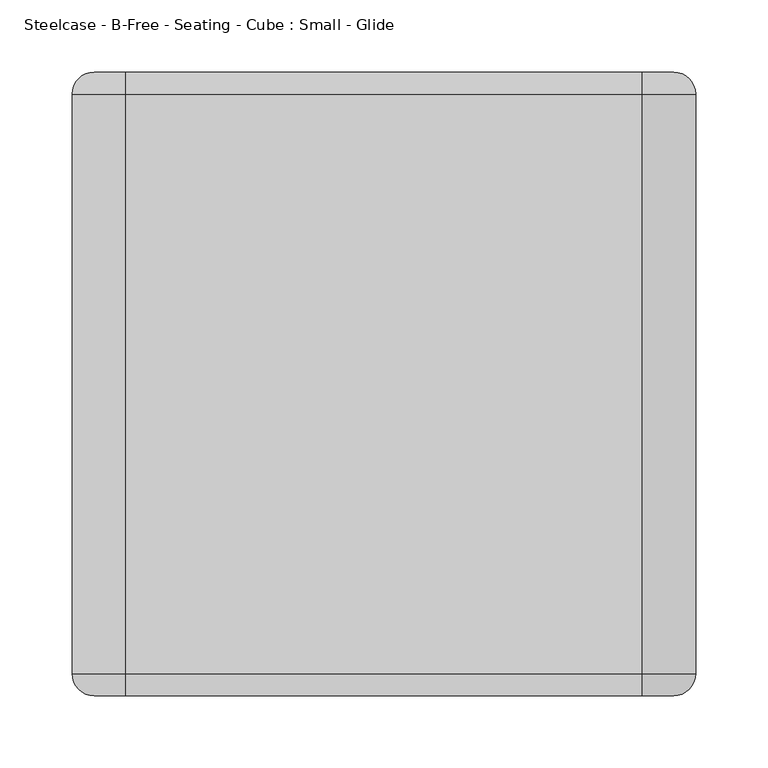
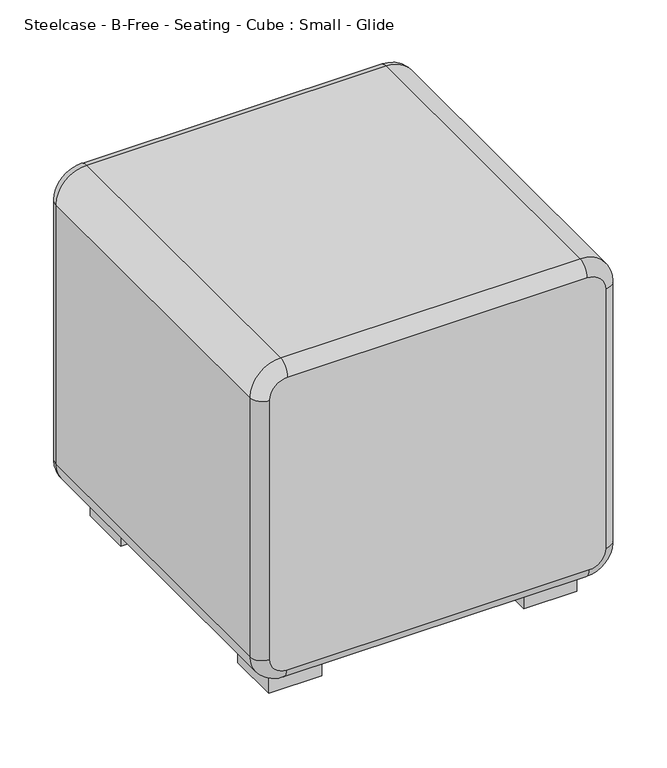
"""IFC4 building model written with IfcOpenShell, lengths in millimetres: furniture geometry, Steelcase - B-Free - Seating - Cube : Small - Glide."""

from ifc_helpers import new_model, si_unit, point, frame, frame_2d, origin, origin_with_axes, place, context, project, spatial, polyline, circle_curve, ellipse_curve, trimmed, segment, composite_curve, outline, extrude, source, transform, mapped, element, save
from ifc_brep_helpers import plane_surface, cylinder_surface, revolved_surface, extruded_surface, advanced_brep


def steelcase_b_free_seating_cube_small_glide_b358940f(model_context):
    return source(origin(), model_context, "Body", "SolidModel", [
        extrude(outline(composite_curve([segment(trimmed(circle_curve(frame_2d((362.1285127, -362.451859)), 25.4), [point((336.7285127, -362.451859))], [point((362.1285127, -337.051859))], False, "CARTESIAN"), True, "CONTINUOUS"), segment(polyline([(362.1285127, -337.051859), (399.9116454, -337.051859), (399.9116454, -400.6403104), (336.7285127, -400.6403104), (336.7285127, -362.451859)]), True, "CONTINUOUS")], self_intersect=False)), frame((0.0, 0.0, 3.2686088), z_axis=(0.0, 0.0, 1.0), x_axis=(1.0, 0.0, 0.0)), (0.0, 0.0, 1.0), 34.4406379),
        extrude(outline(composite_curve([segment(trimmed(circle_curve(frame_2d((344.5956693, -345.4386532)), 25.4), [point((319.1956693, -345.4386532))], [point((344.5956693, -320.0386532))], False, "CARTESIAN"), True, "CONTINUOUS"), segment(polyline([(344.5956693, -320.0386532), (399.9116454, -320.0386532), (399.9116454, -400.6403104), (319.1956693, -400.6403104), (319.1956693, -345.4386532)]), True, "CONTINUOUS")], self_intersect=False)), frame((0.0, 0.0, 57.3440834), z_axis=(0.0, 0.0, 1.0), x_axis=(1.0, 0.0, 0.0)), (0.0, 0.0, 1.0), 5.8126731),
        advanced_brep(
        [(319.1956693, -400.6403104, 57.3440834), (399.9116454, -400.6403104, 57.3440834), (399.9116454, -320.0386532, 57.3440834), (344.5956693, -320.0386532, 57.3440834), (319.1956693, -345.4386532, 57.3440834), (336.7285127, -400.6403104, 37.7092467), (336.7285127, -362.451859, 37.7092467), (362.1285127, -337.051859, 37.7092467), (399.9116454, -337.051859, 37.7092467), (399.9116454, -400.6403104, 37.7092467)],
        [
            (0, 1),
            (1, 2),
            (2, 3),
            (3, 4, circle_curve(frame((344.5956693, -345.4386532, 57.3440834), z_axis=(0.0, 0.0, 1.0), x_axis=(-1.0, 0.0, 0.0)), 25.4)),
            (4, 0),
            (5, 6),
            (6, 7, circle_curve(frame((362.1285127, -362.451859, 37.7092467), z_axis=(0.0, 0.0, -1.0), x_axis=(-1.0, 0.0, 0.0)), 25.4)),
            (7, 8),
            (8, 9),
            (9, 5),
            (9, 1),
            (0, 5),
            (8, 2),
            (7, 3),
            (6, 4),
        ],
        [
            plane_surface(frame((356.5620597, -357.3593161, 57.3440834), z_axis=(0.0, 0.0, 1.0), x_axis=(1.0, 0.0, 0.0))),
            plane_surface(frame((367.0817658, -367.5672395, 37.7092467), z_axis=(0.0, 0.0, -1.0), x_axis=(1.0, 0.0, 0.0))),
            plane_surface(frame((368.3200791, -400.6403104, 37.7092467), z_axis=(0.0, -1.0, 0.0), x_axis=(1.0, 0.0, 0.0))),
            plane_surface(frame((399.9116454, -368.8460847, 37.7092467), z_axis=(1.0, 0.0, 0.0), x_axis=(0.0, 1.0, 0.0))),
            plane_surface(frame((381.0200791, -337.051859, 37.7092467), z_axis=(0.0, 0.7557586617156353, -0.6548502464241667), x_axis=(-1.0, 0.0, 0.0))),
            extruded_surface(trimmed(circle_curve(frame((362.1285127, -362.451859, 37.7092467), z_axis=(0.0, 0.0, 1.0), x_axis=(-1.0, 0.0, 0.0)), 25.4), [point((362.1285127, -337.051859, 37.7092467))], [point((336.7285127, -362.451859, 37.7092467))], True, "CARTESIAN"), (-17.53284339999999, 17.013205800000037, 19.6348367), 31.342887255607852),
            plane_surface(frame((336.7285127, -381.5460847, 37.7092467), z_axis=(-0.7459048351939935, 0.0, -0.6660525330889611), x_axis=(0.0, -1.0, 0.0))),
        ],
        [
            (0, [[1, 2, 3, 4, 5]]),
            (1, [[6, 7, 8, 9, 10]]),
            (2, [[-10, 11, -1, 12]]),
            (3, [[-9, 13, -2, -11]]),
            (4, [[-8, 14, -3, -13]]),
            (5, [[-7, 15, -4, -14]]),
            (6, [[-6, -12, -5, -15]]),
        ],
    ),
        extrude(outline(composite_curve([segment(trimmed(circle_curve(frame_2d((359.3371158, -359.7696857)), 21.5941381), [point((380.9312539, -359.7696857))], [point((337.7429777, -359.7696857))], False, "CARTESIAN"), True, "CONTINUOUS"), segment(trimmed(circle_curve(frame_2d((359.3371158, -359.7696857)), 21.5941381), [point((337.7429777, -359.7696857))], [point((380.9312539, -359.7696857))], False, "CARTESIAN"), True, "CONTINUOUS")], self_intersect=False)), origin_with_axes(), (0.0, 0.0, 1.0), 3.2686141),
        extrude(outline(polyline([(368.6320322, -394.620111), (368.6320322, -387.5191636), (380.2023704, -381.3107415), (387.5293162, -368.6200992), (394.6320803, -368.6200992), (394.6320803, -394.620111), (368.6320322, -394.620111)])), origin_with_axes(), (0.0, 0.0, 1.0), 3.2686141),
        extrude(outline(composite_curve([segment(polyline([(336.7285127, -69.348141), (336.7285127, -31.1596896), (399.9116454, -31.1596896), (399.9116454, -94.748141), (362.1285127, -94.748141)]), True, "CONTINUOUS"), segment(trimmed(circle_curve(frame_2d((362.1285127, -69.348141)), 25.4), [point((362.1285127, -94.748141))], [point((336.7285127, -69.348141))], False, "CARTESIAN"), True, "CONTINUOUS")], self_intersect=False)), frame((0.0, 0.0, 3.2686088), z_axis=(0.0, 0.0, 1.0), x_axis=(1.0, 0.0, 0.0)), (0.0, 0.0, 1.0), 34.4406379),
        extrude(outline(composite_curve([segment(polyline([(319.1956693, -86.3613468), (319.1956693, -31.1596896), (399.9116454, -31.1596896), (399.9116454, -111.7613468), (344.5956693, -111.7613468)]), True, "CONTINUOUS"), segment(trimmed(circle_curve(frame_2d((344.5956693, -86.3613468)), 25.4), [point((344.5956693, -111.7613468))], [point((319.1956693, -86.3613468))], False, "CARTESIAN"), True, "CONTINUOUS")], self_intersect=False)), frame((0.0, 0.0, 57.3440834), z_axis=(0.0, 0.0, 1.0), x_axis=(1.0, 0.0, 0.0)), (0.0, 0.0, 1.0), 5.8126731),
        advanced_brep(
        [(319.1956693, -31.1596896, 57.3440834), (319.1956693, -86.3613468, 57.3440834), (344.5956693, -111.7613468, 57.3440834), (399.9116454, -111.7613468, 57.3440834), (399.9116454, -31.1596896, 57.3440834), (336.7285127, -31.1596896, 37.7092467), (399.9116454, -31.1596896, 37.7092467), (399.9116454, -94.748141, 37.7092467), (362.1285127, -94.748141, 37.7092467), (336.7285127, -69.348141, 37.7092467)],
        [
            (0, 1),
            (1, 2, circle_curve(frame((344.5956693, -86.3613468, 57.3440834), z_axis=(0.0, 0.0, 1.0), x_axis=(-1.0, 0.0, 0.0)), 25.4)),
            (2, 3),
            (3, 4),
            (4, 0),
            (5, 6),
            (6, 7),
            (7, 8),
            (8, 9, circle_curve(frame((362.1285127, -69.348141, 37.7092467), z_axis=(0.0, 0.0, -1.0), x_axis=(-1.0, 0.0, 0.0)), 25.4)),
            (9, 5),
            (5, 0),
            (4, 6),
            (3, 7),
            (2, 8),
            (1, 9),
        ],
        [
            plane_surface(frame((356.5620597, -74.4406839, 57.3440834), z_axis=(0.0, 0.0, 1.0), x_axis=(1.0, 0.0, 0.0))),
            plane_surface(frame((367.0817658, -64.2327605, 37.7092467), z_axis=(0.0, 0.0, -1.0), x_axis=(1.0, 0.0, 0.0))),
            plane_surface(frame((368.3200791, -31.1596896, 37.7092467), z_axis=(0.0, 1.0, 0.0), x_axis=(1.0, 0.0, 0.0))),
            plane_surface(frame((399.9116454, -62.9539153, 37.7092467), z_axis=(1.0, 0.0, 0.0), x_axis=(0.0, -1.0, 0.0))),
            plane_surface(frame((381.0200791, -94.748141, 37.7092467), z_axis=(0.0, -0.7557586617156353, -0.6548502464241667), x_axis=(-1.0, 0.0, 0.0))),
            extruded_surface(trimmed(circle_curve(frame((344.5956693, -86.3613468, 57.3440834), z_axis=(0.0, 0.0, -1.0), x_axis=(-1.0, 0.0, 0.0)), 25.4), [point((344.5956693, -111.7613468, 57.3440834))], [point((319.1956693, -86.3613468, 57.3440834))], True, "CARTESIAN"), (17.53284339999999, 17.01320580000001, -19.6348367), 31.342887255607835),
            plane_surface(frame((336.7285127, -50.2539153, 37.7092467), z_axis=(-0.7459048351939935, 0.0, -0.6660525330889611), x_axis=(0.0, 1.0, 0.0))),
        ],
        [
            (0, [[1, 2, 3, 4, 5]]),
            (1, [[6, 7, 8, 9, 10]]),
            (2, [[11, -5, 12, -6]]),
            (3, [[-12, -4, 13, -7]]),
            (4, [[-13, -3, 14, -8]]),
            (5, [[-14, -2, 15, -9]]),
            (6, [[-15, -1, -11, -10]]),
        ],
    ),
        extrude(outline(composite_curve([segment(trimmed(circle_curve(frame_2d((359.3371158, -72.0303143)), 21.5941381), [point((380.9312539, -72.0303143))], [point((337.7429777, -72.0303143))], False, "CARTESIAN"), True, "CONTINUOUS"), segment(trimmed(circle_curve(frame_2d((359.3371158, -72.0303143)), 21.5941381), [point((337.7429777, -72.0303143))], [point((380.9312539, -72.0303143))], False, "CARTESIAN"), True, "CONTINUOUS")], self_intersect=False)), origin_with_axes(), (0.0, 0.0, 1.0), 3.2686141),
        extrude(outline(polyline([(368.6320322, -37.179889), (394.6320803, -37.179889), (394.6320803, -63.1799008), (387.5293162, -63.1799008), (380.2023704, -50.4892585), (368.6320322, -44.2808364), (368.6320322, -37.179889)])), origin_with_axes(), (0.0, 0.0, 1.0), 3.2686141),
        extrude(outline(composite_curve([segment(polyline([(95.1048579, -362.451859), (95.1048579, -400.6403104), (31.9217252, -400.6403104), (31.9217252, -337.051859), (69.7048579, -337.051859)]), True, "CONTINUOUS"), segment(trimmed(circle_curve(frame_2d((69.7048579, -362.451859)), 25.4), [point((69.7048579, -337.051859))], [point((95.1048579, -362.451859))], False, "CARTESIAN"), True, "CONTINUOUS")], self_intersect=False)), frame((0.0, 0.0, 3.2686088), z_axis=(0.0, 0.0, 1.0), x_axis=(1.0, 0.0, 0.0)), (0.0, 0.0, 1.0), 34.4406379),
        extrude(outline(composite_curve([segment(polyline([(112.6377014, -345.4386532), (112.6377014, -400.6403104), (31.9217252, -400.6403104), (31.9217252, -320.0386532), (87.2377014, -320.0386532)]), True, "CONTINUOUS"), segment(trimmed(circle_curve(frame_2d((87.2377014, -345.4386532)), 25.4), [point((87.2377014, -320.0386532))], [point((112.6377014, -345.4386532))], False, "CARTESIAN"), True, "CONTINUOUS")], self_intersect=False)), frame((0.0, 0.0, 57.3440834), z_axis=(0.0, 0.0, 1.0), x_axis=(1.0, 0.0, 0.0)), (0.0, 0.0, 1.0), 5.8126731),
        advanced_brep(
        [(112.6377014, -400.6403104, 57.3440834), (112.6377014, -345.4386532, 57.3440834), (87.2377014, -320.0386532, 57.3440834), (31.9217252, -320.0386532, 57.3440834), (31.9217252, -400.6403104, 57.3440834), (95.1048579, -400.6403104, 37.7092467), (31.9217252, -400.6403104, 37.7092467), (31.9217252, -337.051859, 37.7092467), (69.7048579, -337.051859, 37.7092467), (95.1048579, -362.451859, 37.7092467)],
        [
            (0, 1),
            (1, 2, circle_curve(frame((87.2377014, -345.4386532, 57.3440834), z_axis=(0.0, 0.0, 1.0), x_axis=(1.0, 0.0, 0.0)), 25.4)),
            (2, 3),
            (3, 4),
            (4, 0),
            (5, 6),
            (6, 7),
            (7, 8),
            (8, 9, circle_curve(frame((69.7048579, -362.451859, 37.7092467), z_axis=(0.0, 0.0, -1.0), x_axis=(1.0, 0.0, 0.0)), 25.4)),
            (9, 5),
            (5, 0),
            (4, 6),
            (3, 7),
            (2, 8),
            (1, 9),
        ],
        [
            plane_surface(frame((75.2713109, -357.3593161, 57.3440834), z_axis=(0.0, 0.0, 1.0), x_axis=(-1.0, 0.0, 0.0))),
            plane_surface(frame((64.7516049, -367.5672395, 37.7092467), z_axis=(0.0, 0.0, -1.0), x_axis=(-1.0, 0.0, 0.0))),
            plane_surface(frame((63.5132916, -400.6403104, 37.7092467), z_axis=(0.0, -1.0, 0.0), x_axis=(-1.0, 0.0, 0.0))),
            plane_surface(frame((31.9217252, -368.8460847, 37.7092467), z_axis=(-1.0, 0.0, 0.0), x_axis=(0.0, 1.0, 0.0))),
            plane_surface(frame((50.8132916, -337.051859, 37.7092467), z_axis=(0.0, 0.7557586617156353, -0.6548502464241667), x_axis=(1.0, 0.0, 0.0))),
            extruded_surface(trimmed(circle_curve(frame((87.2377014, -345.4386532, 57.3440834), z_axis=(0.0, 0.0, -1.0), x_axis=(1.0, 0.0, 0.0)), 25.4), [point((87.2377014, -320.0386532, 57.3440834))], [point((112.6377014, -345.4386532, 57.3440834))], True, "CARTESIAN"), (-17.532843500000013, -17.013205800000037, -19.6348367), 31.34288731154669),
            plane_surface(frame((95.1048579, -381.5460847, 37.7092467), z_axis=(0.7459048351939935, 0.0, -0.6660525330889611), x_axis=(0.0, -1.0, 0.0))),
        ],
        [
            (0, [[1, 2, 3, 4, 5]]),
            (1, [[6, 7, 8, 9, 10]]),
            (2, [[11, -5, 12, -6]]),
            (3, [[-12, -4, 13, -7]]),
            (4, [[-13, -3, 14, -8]]),
            (5, [[-14, -2, 15, -9]]),
            (6, [[-15, -1, -11, -10]]),
        ],
    ),
        extrude(outline(composite_curve([segment(trimmed(circle_curve(frame_2d((72.4962548, -359.7696857)), 21.5941381), [point((50.9021167, -359.7696857))], [point((94.0903929, -359.7696857))], False, "CARTESIAN"), True, "CONTINUOUS"), segment(trimmed(circle_curve(frame_2d((72.4962548, -359.7696857)), 21.5941381), [point((94.0903929, -359.7696857))], [point((50.9021167, -359.7696857))], False, "CARTESIAN"), True, "CONTINUOUS")], self_intersect=False)), origin_with_axes(), (0.0, 0.0, 1.0), 3.2686141),
        extrude(outline(polyline([(63.2013385, -394.620111), (37.2012903, -394.620111), (37.2012903, -368.6200992), (44.3040545, -368.6200992), (51.6310002, -381.3107415), (63.2013385, -387.5191636), (63.2013385, -394.620111)])), origin_with_axes(), (0.0, 0.0, 1.0), 3.2686141),
        extrude(outline(composite_curve([segment(trimmed(circle_curve(frame_2d((69.7048579, -69.348141)), 25.4), [point((95.1048579, -69.348141))], [point((69.7048579, -94.748141))], False, "CARTESIAN"), True, "CONTINUOUS"), segment(polyline([(69.7048579, -94.748141), (31.9217252, -94.748141), (31.9217252, -31.1596896), (95.1048579, -31.1596896), (95.1048579, -69.348141)]), True, "CONTINUOUS")], self_intersect=False)), frame((0.0, 0.0, 3.2686088), z_axis=(0.0, 0.0, 1.0), x_axis=(1.0, 0.0, 0.0)), (0.0, 0.0, 1.0), 34.4406379),
        extrude(outline(composite_curve([segment(trimmed(circle_curve(frame_2d((87.2377014, -86.3613468)), 25.4), [point((112.6377014, -86.3613468))], [point((87.2377014, -111.7613468))], False, "CARTESIAN"), True, "CONTINUOUS"), segment(polyline([(87.2377014, -111.7613468), (31.9217252, -111.7613468), (31.9217252, -31.1596896), (112.6377014, -31.1596896), (112.6377014, -86.3613468)]), True, "CONTINUOUS")], self_intersect=False)), frame((0.0, 0.0, 57.3440834), z_axis=(0.0, 0.0, 1.0), x_axis=(1.0, 0.0, 0.0)), (0.0, 0.0, 1.0), 5.8126731),
        advanced_brep(
        [(112.6377014, -31.1596896, 57.3440834), (31.9217252, -31.1596896, 57.3440834), (31.9217252, -111.7613468, 57.3440834), (87.2377014, -111.7613468, 57.3440834), (112.6377014, -86.3613468, 57.3440834), (95.1048579, -31.1596896, 37.7092467), (95.1048579, -69.348141, 37.7092467), (69.7048579, -94.748141, 37.7092467), (31.9217252, -94.748141, 37.7092467), (31.9217252, -31.1596896, 37.7092467)],
        [
            (0, 1),
            (1, 2),
            (2, 3),
            (3, 4, circle_curve(frame((87.2377014, -86.3613468, 57.3440834), z_axis=(0.0, 0.0, 1.0), x_axis=(1.0, 0.0, 0.0)), 25.4)),
            (4, 0),
            (5, 6),
            (6, 7, circle_curve(frame((69.7048579, -69.348141, 37.7092467), z_axis=(0.0, 0.0, -1.0), x_axis=(1.0, 0.0, 0.0)), 25.4)),
            (7, 8),
            (8, 9),
            (9, 5),
            (9, 1),
            (0, 5),
            (8, 2),
            (7, 3),
            (6, 4),
        ],
        [
            plane_surface(frame((75.2713109, -74.4406839, 57.3440834), z_axis=(0.0, 0.0, 1.0), x_axis=(-1.0, 0.0, 0.0))),
            plane_surface(frame((64.7516049, -64.2327605, 37.7092467), z_axis=(0.0, 0.0, -1.0), x_axis=(-1.0, 0.0, 0.0))),
            plane_surface(frame((63.5132916, -31.1596896, 37.7092467), z_axis=(0.0, 1.0, 0.0), x_axis=(-1.0, 0.0, 0.0))),
            plane_surface(frame((31.9217252, -62.9539153, 37.7092467), z_axis=(-1.0, 0.0, 0.0), x_axis=(0.0, -1.0, 0.0))),
            plane_surface(frame((50.8132916, -94.748141, 37.7092467), z_axis=(0.0, -0.7557586617156353, -0.6548502464241667), x_axis=(1.0, 0.0, 0.0))),
            extruded_surface(trimmed(circle_curve(frame((69.7048579, -69.348141, 37.7092467), z_axis=(0.0, 0.0, 1.0), x_axis=(1.0, 0.0, 0.0)), 25.4), [point((69.7048579, -94.748141, 37.7092467))], [point((95.1048579, -69.348141, 37.7092467))], True, "CARTESIAN"), (17.532843500000013, -17.01320580000001, 19.6348367), 31.342887311546676),
            plane_surface(frame((95.1048579, -50.2539153, 37.7092467), z_axis=(0.7459048351939935, 0.0, -0.6660525330889611), x_axis=(0.0, 1.0, 0.0))),
        ],
        [
            (0, [[1, 2, 3, 4, 5]]),
            (1, [[6, 7, 8, 9, 10]]),
            (2, [[-10, 11, -1, 12]]),
            (3, [[-9, 13, -2, -11]]),
            (4, [[-8, 14, -3, -13]]),
            (5, [[-7, 15, -4, -14]]),
            (6, [[-6, -12, -5, -15]]),
        ],
    ),
        extrude(outline(composite_curve([segment(trimmed(circle_curve(frame_2d((72.4962548, -72.0303143)), 21.5941381), [point((50.9021167, -72.0303143))], [point((94.0903929, -72.0303143))], False, "CARTESIAN"), True, "CONTINUOUS"), segment(trimmed(circle_curve(frame_2d((72.4962548, -72.0303143)), 21.5941381), [point((94.0903929, -72.0303143))], [point((50.9021167, -72.0303143))], False, "CARTESIAN"), True, "CONTINUOUS")], self_intersect=False)), origin_with_axes(), (0.0, 0.0, 1.0), 3.2686141),
        extrude(outline(polyline([(63.2013385, -37.179889), (63.2013385, -44.2808364), (51.6310002, -50.4892585), (44.3040545, -63.1799008), (37.2012903, -63.1799008), (37.2012903, -37.179889), (63.2013385, -37.179889)])), origin_with_axes(), (0.0, 0.0, 1.0), 3.2686141),
        advanced_brep(
        [(15.24, -431.8, 70.3059409), (35.21075, -431.8, 50.3351909), (396.5273707, -431.8, 50.3351909), (416.4981207, -431.8, 70.3059409), (416.4981207, -431.8, 397.9255121), (394.7493707, -431.8, 419.6742621), (36.98875, -431.8, 419.6742621), (15.24, -431.8, 397.9255121), (35.21075, 0.0, 50.3351909), (15.24, 0.0, 70.3059409), (15.24, 0.0, 397.9255121), (36.98875, 0.0, 419.6742621), (394.7493707, 0.0, 419.6742621), (416.4981207, 0.0, 397.9255121), (416.4981207, 0.0, 70.3059409), (396.5273707, 0.0, 50.3351909), (35.21075, -15.24, 35.0951909), (0.0, -15.24, 70.3059409), (35.21075, -416.56, 35.0951909), (0.0, -416.56, 70.3059409), (396.5273707, -15.24, 35.0951909), (396.5273707, -416.56, 35.0951909), (431.7381207, -15.24, 70.3059409), (431.7381207, -416.56, 70.3059409), (431.7381207, -15.24, 397.9255121), (431.7381207, -416.56, 397.9255121), (394.7493707, -15.24, 434.9142621), (394.7493707, -416.56, 434.9142621), (36.98875, -15.24, 434.9142621), (36.98875, -416.56, 434.9142621), (0.0, -15.24, 397.9255121), (0.0, -416.56, 397.9255121)],
        [
            (0, 1, circle_curve(frame((35.21075, -431.8, 70.3059409), z_axis=(0.0, -1.0, 0.0), x_axis=(-1.0, 0.0, 0.0)), 19.97075)),
            (1, 2),
            (2, 3, circle_curve(frame((396.5273707, -431.8, 70.3059409), z_axis=(0.0, -1.0, 0.0), x_axis=(0.0, 0.0, -1.0)), 19.97075)),
            (3, 4),
            (4, 5, circle_curve(frame((394.7493707, -431.8, 397.9255121), z_axis=(0.0, -1.0, 0.0), x_axis=(1.0, 0.0, 0.0)), 21.74875)),
            (5, 6),
            (6, 7, circle_curve(frame((36.98875, -431.8, 397.9255121), z_axis=(0.0, -1.0, 0.0), x_axis=(0.0, 0.0, 1.0)), 21.74875)),
            (7, 0),
            (8, 9, circle_curve(frame((35.21075, 0.0, 70.3059409), z_axis=(0.0, 1.0, 0.0), x_axis=(-1.0, 0.0, 0.0)), 19.97075)),
            (9, 10),
            (10, 11, circle_curve(frame((36.98875, 0.0, 397.9255121), z_axis=(0.0, 1.0, 0.0), x_axis=(0.0, 0.0, 1.0)), 21.74875)),
            (11, 12),
            (12, 13, circle_curve(frame((394.7493707, 0.0, 397.9255121), z_axis=(0.0, 1.0, 0.0), x_axis=(1.0, 0.0, 0.0)), 21.74875)),
            (13, 14),
            (14, 15, circle_curve(frame((396.5273707, 0.0, 70.3059409), z_axis=(0.0, 1.0, 0.0), x_axis=(0.0, 0.0, -1.0)), 19.97075)),
            (15, 8),
            (16, 17, circle_curve(frame((35.21075, -15.24, 70.3059409), z_axis=(0.0, 1.0, 0.0), x_axis=(-1.0, 0.0, 0.0)), 35.21075)),
            (17, 9, circle_curve(frame((15.24, -15.24, 70.3059409), z_axis=(0.0, 0.0, -1.0), x_axis=(0.0, -1.0, 0.0)), 15.24)),
            (8, 16, circle_curve(frame((35.21075, -15.24, 50.3351909), z_axis=(-1.0, 0.0, 0.0), x_axis=(0.0, -1.0, 0.0)), 15.24)),
            (16, 18),
            (18, 19, circle_curve(frame((35.21075, -416.56, 70.3059409), z_axis=(0.0, 1.0, 0.0), x_axis=(-1.0, 0.0, 0.0)), 35.21075)),
            (19, 17),
            (18, 1, circle_curve(frame((35.21075, -416.56, 50.3351909), z_axis=(-1.0, 0.0, 0.0), x_axis=(0.0, -1.0, 0.0)), 15.24)),
            (0, 19, circle_curve(frame((15.24, -416.56, 70.3059409), z_axis=(0.0, 0.0, -1.0), x_axis=(0.0, -1.0, 0.0)), 15.24)),
            (15, 20, circle_curve(frame((396.5273707, -15.24, 50.3351909), z_axis=(-1.0, 0.0, 0.0), x_axis=(0.0, -1.0, 0.0)), 15.24)),
            (20, 16),
            (20, 21),
            (21, 18),
            (21, 2, circle_curve(frame((396.5273707, -416.56, 50.3351909), z_axis=(-1.0, 0.0, 0.0), x_axis=(0.0, -1.0, 0.0)), 15.24)),
            (14, 22, circle_curve(frame((416.4981207, -15.24, 70.3059409), z_axis=(0.0, 0.0, -1.0), x_axis=(0.0, -1.0, 0.0)), 15.24)),
            (22, 20, circle_curve(frame((396.5273707, -15.24, 70.3059409), z_axis=(0.0, 1.0, 0.0), x_axis=(0.0, 0.0, -1.0)), 35.21075)),
            (22, 23),
            (23, 21, circle_curve(frame((396.5273707, -416.56, 70.3059409), z_axis=(0.0, 1.0, 0.0), x_axis=(0.0, 0.0, -1.0)), 35.21075)),
            (23, 3, circle_curve(frame((416.4981207, -416.56, 70.3059409), z_axis=(0.0, 0.0, -1.0), x_axis=(0.0, -1.0, 0.0)), 15.24)),
            (13, 24, circle_curve(frame((416.4981207, -15.24, 397.9255121), z_axis=(0.0, 0.0, -1.0), x_axis=(0.0, -1.0, 0.0)), 15.24)),
            (24, 22),
            (24, 25),
            (25, 23),
            (25, 4, circle_curve(frame((416.4981207, -416.56, 397.9255121), z_axis=(0.0, 0.0, -1.0), x_axis=(0.0, -1.0, 0.0)), 15.24)),
            (12, 26, circle_curve(frame((394.7493707, -15.24, 419.6742621), z_axis=(1.0, 0.0, 0.0), x_axis=(0.0, -1.0, 0.0)), 15.24)),
            (26, 24, circle_curve(frame((394.7493707, -15.24, 397.9255121), z_axis=(0.0, 1.0, 0.0), x_axis=(1.0, 0.0, 0.0)), 36.98875)),
            (26, 27),
            (27, 25, circle_curve(frame((394.7493707, -416.56, 397.9255121), z_axis=(0.0, 1.0, 0.0), x_axis=(1.0, 0.0, 0.0)), 36.98875)),
            (27, 5, circle_curve(frame((394.7493707, -416.56, 419.6742621), z_axis=(1.0, 0.0, 0.0), x_axis=(0.0, -1.0, 0.0)), 15.24)),
            (11, 28, circle_curve(frame((36.98875, -15.24, 419.6742621), z_axis=(1.0, 0.0, 0.0), x_axis=(0.0, -1.0, 0.0)), 15.24)),
            (28, 26),
            (28, 29),
            (29, 27),
            (29, 6, circle_curve(frame((36.98875, -416.56, 419.6742621), z_axis=(1.0, 0.0, 0.0), x_axis=(0.0, -1.0, 0.0)), 15.24)),
            (10, 30, circle_curve(frame((15.24, -15.24, 397.9255121), z_axis=(0.0, 0.0, 1.0), x_axis=(0.0, -1.0, 0.0)), 15.24)),
            (30, 28, circle_curve(frame((36.98875, -15.24, 397.9255121), z_axis=(0.0, 1.0, 0.0), x_axis=(0.0, 0.0, 1.0)), 36.98875)),
            (30, 31),
            (31, 29, circle_curve(frame((36.98875, -416.56, 397.9255121), z_axis=(0.0, 1.0, 0.0), x_axis=(0.0, 0.0, 1.0)), 36.98875)),
            (31, 7, circle_curve(frame((15.24, -416.56, 397.9255121), z_axis=(0.0, 0.0, 1.0), x_axis=(0.0, -1.0, 0.0)), 15.24)),
            (17, 30),
            (19, 31),
        ],
        [
            plane_surface(frame((36.98875, -431.8, 400.4655121), z_axis=(0.0, -1.0, 0.0), x_axis=(-1.0, 0.0, 0.0))),
            plane_surface(frame((36.98875, 0.0, 400.4655121), z_axis=(0.0, 1.0, 0.0), x_axis=(1.0, 0.0, 0.0))),
            revolved_surface(trimmed(ellipse_curve(frame((15.24, -15.24, 70.3059409), z_axis=(0.0, 0.0, 1.0), x_axis=(0.0, -1.0, 0.0)), 15.24, 15.24), [point((15.24, 0.0, 70.3059409))], [point((0.0, -15.24, 70.3059409))], True, "CARTESIAN"), (35.21075, 0.0, 70.3059409), (0.0, -1.0, 0.0)),
            cylinder_surface(frame((35.21075, 0.0, 70.3059409), z_axis=(0.0, -1.0, 0.0), x_axis=(-1.0, 0.0, 0.0)), 35.21075),
            revolved_surface(trimmed(ellipse_curve(frame((15.24, -416.56, 70.3059409), z_axis=(0.0, 0.0, 1.0), x_axis=(0.0, -1.0, 0.0)), 15.24, 15.24), [point((0.0, -416.56, 70.3059409))], [point((15.24, -431.8, 70.3059409))], True, "CARTESIAN"), (35.21075, 0.0, 70.3059409), (0.0, -1.0, 0.0)),
            cylinder_surface(frame((35.21075, -15.24, 50.3351909), z_axis=(-1.0, 0.0, 0.0), x_axis=(0.0, -1.0, 0.0)), 15.24),
            plane_surface(frame((35.21075, -15.24, 35.0951909), z_axis=(0.0, 0.0, -1.0), x_axis=(1.0, 0.0, 0.0))),
            cylinder_surface(frame((35.21075, -416.56, 50.3351909), z_axis=(-1.0, 0.0, 0.0), x_axis=(0.0, -1.0, 0.0)), 15.24),
            revolved_surface(trimmed(ellipse_curve(frame((396.5273707, -15.24, 50.3351909), z_axis=(-1.0, 0.0, 0.0), x_axis=(0.0, -1.0, 0.0)), 15.24, 15.24), [point((396.5273707, 0.0, 50.3351909))], [point((396.5273707, -15.24, 35.0951909))], True, "CARTESIAN"), (396.5273707, 0.0, 70.3059409), (0.0, -1.0, 0.0)),
            cylinder_surface(frame((396.5273707, 0.0, 70.3059409), z_axis=(0.0, -1.0, 0.0), x_axis=(0.0, 0.0, -1.0)), 35.21075),
            revolved_surface(trimmed(ellipse_curve(frame((396.5273707, -416.56, 50.3351909), z_axis=(-1.0, 0.0, 0.0), x_axis=(0.0, -1.0, 0.0)), 15.24, 15.24), [point((396.5273707, -416.56, 35.0951909))], [point((396.5273707, -431.8, 50.3351909))], True, "CARTESIAN"), (396.5273707, 0.0, 70.3059409), (0.0, -1.0, 0.0)),
            cylinder_surface(frame((416.4981207, -15.24, 70.3059409), z_axis=(0.0, 0.0, -1.0), x_axis=(0.0, -1.0, 0.0)), 15.24),
            plane_surface(frame((431.7381207, -15.24, 70.3059409), z_axis=(1.0, 0.0, 0.0), x_axis=(0.0, 0.0, 1.0))),
            cylinder_surface(frame((416.4981207, -416.56, 70.3059409), z_axis=(0.0, 0.0, -1.0), x_axis=(0.0, -1.0, 0.0)), 15.24),
            revolved_surface(trimmed(ellipse_curve(frame((416.4981207, -15.24, 397.9255121), z_axis=(0.0, 0.0, -1.0), x_axis=(0.0, -1.0, 0.0)), 15.24, 15.24), [point((416.4981207, 0.0, 397.9255121))], [point((431.7381207, -15.24, 397.9255121))], True, "CARTESIAN"), (394.7493707, 0.0, 397.9255121), (0.0, -1.0, 0.0)),
            cylinder_surface(frame((394.7493707, 0.0, 397.9255121), z_axis=(0.0, -1.0, 0.0), x_axis=(1.0, 0.0, 0.0)), 36.98875),
            revolved_surface(trimmed(ellipse_curve(frame((416.4981207, -416.56, 397.9255121), z_axis=(0.0, 0.0, -1.0), x_axis=(0.0, -1.0, 0.0)), 15.24, 15.24), [point((431.7381207, -416.56, 397.9255121))], [point((416.4981207, -431.8, 397.9255121))], True, "CARTESIAN"), (394.7493707, 0.0, 397.9255121), (0.0, -1.0, 0.0)),
            cylinder_surface(frame((394.7493707, -15.24, 419.6742621), z_axis=(1.0, 0.0, 0.0), x_axis=(0.0, -1.0, 0.0)), 15.24),
            plane_surface(frame((394.7493707, -15.24, 434.9142621), z_axis=(0.0, 0.0, 1.0), x_axis=(-1.0, 0.0, 0.0))),
            cylinder_surface(frame((394.7493707, -416.56, 419.6742621), z_axis=(1.0, 0.0, 0.0), x_axis=(0.0, -1.0, 0.0)), 15.24),
            revolved_surface(trimmed(ellipse_curve(frame((36.98875, -15.24, 419.6742621), z_axis=(1.0, 0.0, 0.0), x_axis=(0.0, -1.0, 0.0)), 15.24, 15.24), [point((36.98875, 0.0, 419.6742621))], [point((36.98875, -15.24, 434.9142621))], True, "CARTESIAN"), (36.98875, 0.0, 397.9255121), (0.0, -1.0, 0.0)),
            cylinder_surface(frame((36.98875, 0.0, 397.9255121), z_axis=(0.0, -1.0, 0.0), x_axis=(0.0, 0.0, 1.0)), 36.98875),
            revolved_surface(trimmed(ellipse_curve(frame((36.98875, -416.56, 419.6742621), z_axis=(1.0, 0.0, 0.0), x_axis=(0.0, -1.0, 0.0)), 15.24, 15.24), [point((36.98875, -416.56, 434.9142621))], [point((36.98875, -431.8, 419.6742621))], True, "CARTESIAN"), (36.98875, 0.0, 397.9255121), (0.0, -1.0, 0.0)),
            cylinder_surface(frame((15.24, -15.24, 397.9255121), z_axis=(0.0, 0.0, 1.0), x_axis=(0.0, -1.0, 0.0)), 15.24),
            plane_surface(frame((0.0, -15.24, 397.9255121), z_axis=(-1.0, 0.0, 0.0), x_axis=(0.0, 0.0, -1.0))),
            cylinder_surface(frame((15.24, -416.56, 397.9255121), z_axis=(0.0, 0.0, 1.0), x_axis=(0.0, -1.0, 0.0)), 15.24),
        ],
        [
            (0, [[1, 2, 3, 4, 5, 6, 7, 8]]),
            (1, [[9, 10, 11, 12, 13, 14, 15, 16]]),
            (2, [[17, 18, -9, 19]]),
            (3, [[-17, 20, 21, 22]]),
            (4, [[-21, 23, -1, 24]]),
            (5, [[-19, -16, 25, 26]]),
            (6, [[-20, -26, 27, 28]]),
            (7, [[-23, -28, 29, -2]]),
            (8, [[-25, -15, 30, 31]]),
            (9, [[-27, -31, 32, 33]]),
            (10, [[-29, -33, 34, -3]]),
            (11, [[-30, -14, 35, 36]]),
            (12, [[-32, -36, 37, 38]]),
            (13, [[-34, -38, 39, -4]]),
            (14, [[-35, -13, 40, 41]]),
            (15, [[-37, -41, 42, 43]]),
            (16, [[-39, -43, 44, -5]]),
            (17, [[-40, -12, 45, 46]]),
            (18, [[-42, -46, 47, 48]]),
            (19, [[-44, -48, 49, -6]]),
            (20, [[-45, -11, 50, 51]]),
            (21, [[-47, -51, 52, 53]]),
            (22, [[-49, -53, 54, -7]]),
            (23, [[-18, 55, -50, -10]]),
            (24, [[-22, 56, -52, -55]]),
            (25, [[-24, -8, -54, -56]]),
        ],
    ),
    ])


if __name__ == "__main__":
    model = new_model("IFC4")
    model_context = context("Model", 3, world=origin())
    ifc_project = project(units=[si_unit("LENGTHUNIT", "METRE", prefix="MILLI")], contexts=[model_context])
    site = spatial("IfcSite", under=ifc_project)
    building = spatial("IfcBuilding", under=site)
    placement = place(None, origin())
    steelcase_b_free_seating_cube_small_glide_shape = steelcase_b_free_seating_cube_small_glide_b358940f(model_context)
    element("IfcFurniture", 1, ObjectType="Steelcase - B-Free - Seating - Cube : Small - Glide", at=placement, inside=building, context=model_context, shape_type="MappedRepresentation", body=[
        mapped(steelcase_b_free_seating_cube_small_glide_shape, transform((0.0, 0.0, 0.0), x_axis=(1.0, 0.0, 0.0), y_axis=(0.0, 1.0, 0.0), z_axis=(0.0, 0.0, 1.0))),
    ])
    save(model, "model.ifc")
